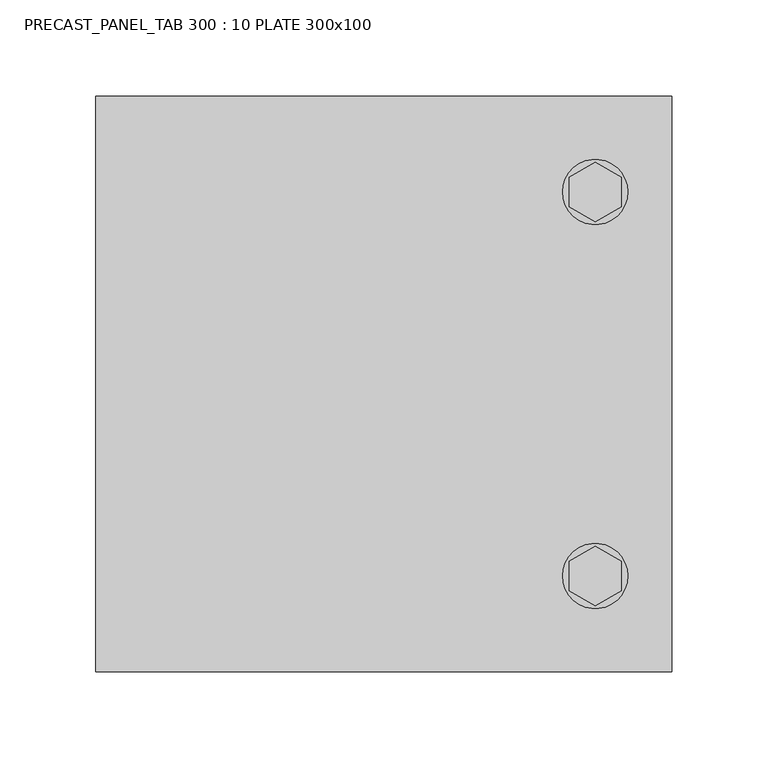
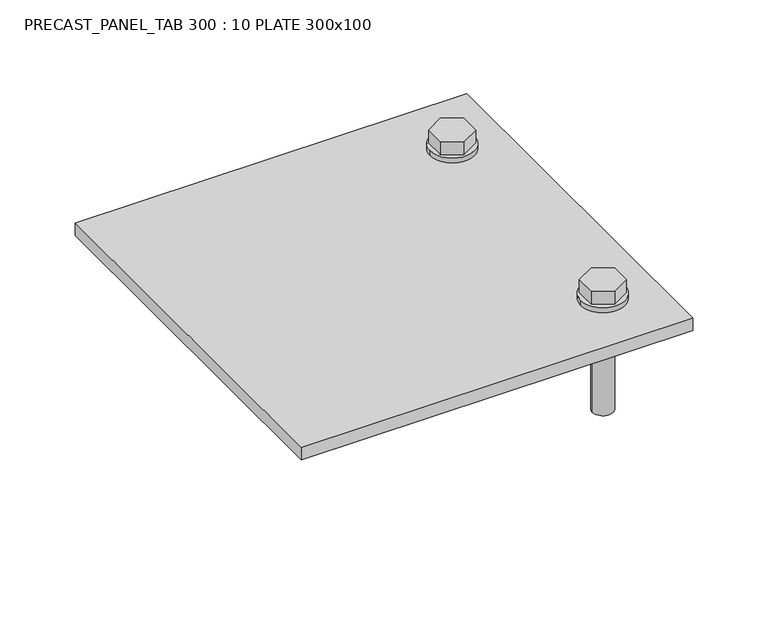
"""IFC4 building model written with IfcOpenShell, lengths in millimetres: fastener geometry, PRECAST_PANEL_TAB 300 : 10 PLATE 300x100."""

from ifc_helpers import new_model, si_unit, point, frame, frame_2d, origin, origin_with_axes, place, context, project, spatial, polyline, circle_curve, trimmed, segment, composite_curve, outline, extrude, source, transform, mapped, element, save


def precast_panel_tab_300_10_plate_300x100_1aea0cbd(model_context):
    return source(origin(), model_context, "Body", "SweptSolid", [
        extrude(outline(composite_curve([segment(trimmed(circle_curve(frame_2d((50.0, -100.0)), 17.0), [point((33.0, -100.0))], [point((67.0, -100.0))], False, "CARTESIAN"), True, "CONTINUOUS"), segment(trimmed(circle_curve(frame_2d((50.0, -100.0)), 17.0), [point((67.0, -100.0))], [point((33.0, -100.0))], False, "CARTESIAN"), True, "CONTINUOUS")], self_intersect=False)), frame((0.0, 0.0, 10.0), z_axis=(0.0, 0.0, 1.0), x_axis=(1.0, 0.0, 0.0)), (0.0, 0.0, 1.0), 4.0),
        extrude(outline(polyline([(50.0, -84.4115427), (63.5, -92.2057714), (63.5, -107.7942286), (50.0, -115.5884573), (36.5, -107.7942286), (36.5, -92.2057714), (50.0, -84.4115427)])), frame((0.0, 0.0, 14.0), z_axis=(0.0, 0.0, 1.0), x_axis=(1.0, 0.0, 0.0)), (0.0, 0.0, 1.0), 11.0),
        extrude(outline(composite_curve([segment(trimmed(circle_curve(frame_2d((50.0, -100.0)), 8.0), [point((42.0, -100.0))], [point((58.0, -100.0))], False, "CARTESIAN"), True, "CONTINUOUS"), segment(trimmed(circle_curve(frame_2d((50.0, -100.0)), 8.0), [point((58.0, -100.0))], [point((42.0, -100.0))], False, "CARTESIAN"), True, "CONTINUOUS")], self_intersect=False)), frame((0.0, 0.0, -80.0), z_axis=(0.0, 0.0, 1.0), x_axis=(1.0, 0.0, 0.0)), (0.0, 0.0, 1.0), 90.0),
        extrude(outline(composite_curve([segment(trimmed(circle_curve(frame_2d((50.0, 100.0)), 17.0), [point((33.0, 100.0))], [point((67.0, 100.0))], False, "CARTESIAN"), True, "CONTINUOUS"), segment(trimmed(circle_curve(frame_2d((50.0, 100.0)), 17.0), [point((67.0, 100.0))], [point((33.0, 100.0))], False, "CARTESIAN"), True, "CONTINUOUS")], self_intersect=False)), frame((0.0, 0.0, 10.0), z_axis=(0.0, 0.0, 1.0), x_axis=(1.0, 0.0, 0.0)), (0.0, 0.0, 1.0), 4.0),
        extrude(outline(polyline([(50.0, 115.5884573), (63.5, 107.7942286), (63.5, 92.2057714), (50.0, 84.4115427), (36.5, 92.2057714), (36.5, 107.7942286), (50.0, 115.5884573)])), frame((0.0, 0.0, 14.0), z_axis=(0.0, 0.0, 1.0), x_axis=(1.0, 0.0, 0.0)), (0.0, 0.0, 1.0), 11.0),
        extrude(outline(composite_curve([segment(trimmed(circle_curve(frame_2d((50.0, 100.0)), 8.0), [point((42.0, 100.0))], [point((58.0, 100.0))], False, "CARTESIAN"), True, "CONTINUOUS"), segment(trimmed(circle_curve(frame_2d((50.0, 100.0)), 8.0), [point((58.0, 100.0))], [point((42.0, 100.0))], False, "CARTESIAN"), True, "CONTINUOUS")], self_intersect=False)), frame((0.0, 0.0, -80.0), z_axis=(0.0, 0.0, 1.0), x_axis=(1.0, 0.0, 0.0)), (0.0, 0.0, 1.0), 90.0),
        extrude(outline(polyline([(90.0, 150.0), (90.0, -150.0), (-210.0, -150.0), (-210.0, 150.0), (90.0, 150.0)])), origin_with_axes(), (0.0, 0.0, 1.0), 10.0),
    ])


if __name__ == "__main__":
    model = new_model("IFC4")
    model_context = context("Model", 3, world=origin())
    ifc_project = project(units=[si_unit("LENGTHUNIT", "METRE", prefix="MILLI")], contexts=[model_context])
    site = spatial("IfcSite", under=ifc_project)
    building = spatial("IfcBuilding", under=site)
    placement = place(None, origin())
    precast_panel_tab_300_10_plate_300x100_shape = precast_panel_tab_300_10_plate_300x100_1aea0cbd(model_context)
    element("IfcFastener", 1, ObjectType="PRECAST_PANEL_TAB 300 : 10 PLATE 300x100", at=placement, inside=building, context=model_context, shape_type="MappedRepresentation", body=[
        mapped(precast_panel_tab_300_10_plate_300x100_shape, transform((0.0, 0.0, 0.0), x_axis=(1.0, 0.0, 0.0), y_axis=(0.0, 1.0, 0.0), z_axis=(0.0, 0.0, 1.0))),
    ])
    save(model, "model.ifc")
